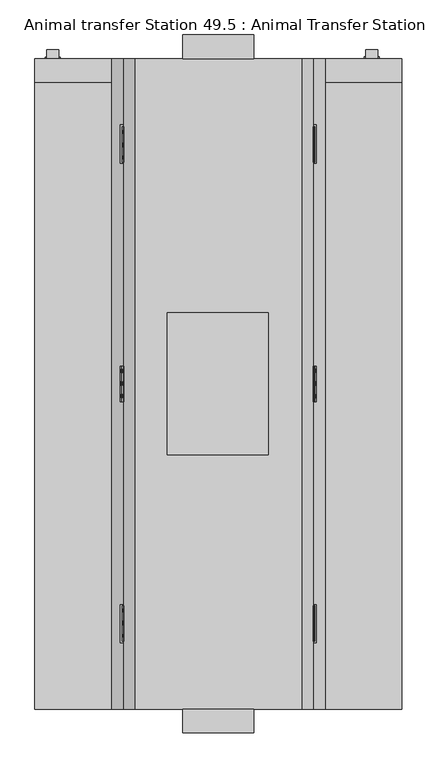
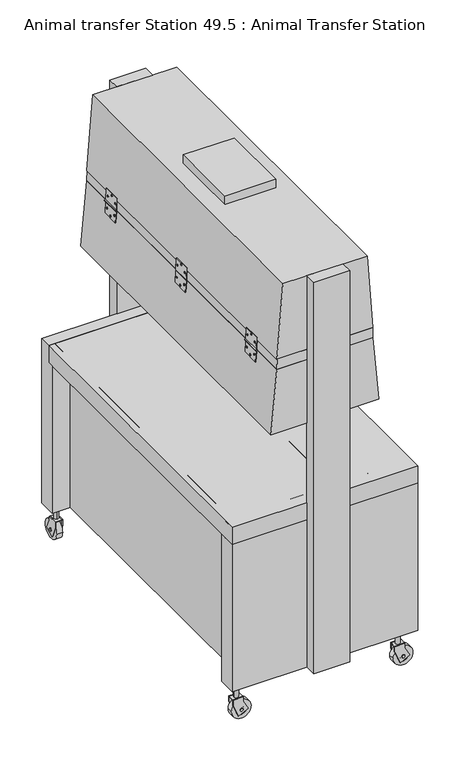
"""IFC4 building model written with IfcOpenShell, lengths in millimetres: proxy geometry, Animal transfer Station 49.5 : Animal Transfer Station."""

from ifc_helpers import new_model, si_unit, point, frame, frame_2d, origin, place, context, project, spatial, polyline, circle_curve, trimmed, segment, composite_curve, outline, extrude, source, transform, mapped, element, save


def animal_transfer_station_49_5_animal_transfer_station_706e44e9(model_context):
    return source(origin(), model_context, "Body", "SweptSolid", [
        extrude(outline(polyline([(-355.657764, 745.7792475), (-330.257764, 745.7792475), (-330.257764, 714.3751455), (-355.657764, 714.3751455), (-355.657764, 745.7792475)])), frame((0.0, 0.0, 90.2352256), z_axis=(0.0, 0.0, 1.0), x_axis=(1.0, 0.0, 0.0)), (0.0, 0.0, 1.0), 3.175),
        extrude(outline(polyline([(-355.657764, 751.4478987), (-330.257764, 751.4478987), (-330.257764, 709.0077913), (-355.657764, 709.0077913), (-355.657764, 751.4478987)])), frame((0.0, 0.0, 91.8906918), z_axis=(0.0, 0.0, 1.0), x_axis=(1.0, 0.0, 0.0)), (0.0, 0.0, 1.0), 3.175),
        extrude(outline(composite_curve([segment(trimmed(circle_curve(frame_2d((744.9370519, 39.3533616)), 6.35), [point((738.5870519, 39.3533616))], [point((751.2870519, 39.3533616))], False, "CARTESIAN"), True, "CONTINUOUS"), segment(trimmed(circle_curve(frame_2d((744.9370519, 39.3533616)), 6.35), [point((751.2870519, 39.3533616))], [point((738.5870519, 39.3533616))], False, "CARTESIAN"), True, "CONTINUOUS")], self_intersect=False)), frame((-358.832764, 0.0, 0.0), z_axis=(1.0, 0.0, 0.0), x_axis=(0.0, 1.0, 0.0)), (0.0, 0.0, 1.0), 31.75),
        extrude(outline(composite_curve([segment(trimmed(circle_curve(frame_2d((-342.5131308, 729.8053669)), 9.42142), [point((-342.5131308, 720.3839469))], [point((-342.5131308, 739.2267868))], False, "CARTESIAN"), True, "CONTINUOUS"), segment(trimmed(circle_curve(frame_2d((-342.5131308, 729.8053669)), 9.42142), [point((-342.5131308, 739.2267868))], [point((-342.5131308, 720.3839469))], False, "CARTESIAN"), True, "CONTINUOUS")], self_intersect=False)), frame((0.0, 0.0, 95.0656918), z_axis=(0.0, 0.0, 1.0), x_axis=(1.0, 0.0, 0.0)), (0.0, 0.0, 1.0), 54.1593082),
        extrude(outline(polyline([(731.0921649, 15.0049491), (709.0077913, 69.6656918), (709.0077913, 95.0656918), (751.4478987, 95.0656918), (751.4478987, 76.0156918), (771.9317957, 35.8137803), (731.0921649, 15.0049491)])), frame((-330.257764, 0.0, 0.0), z_axis=(1.0, 0.0, 0.0), x_axis=(0.0, 1.0, 0.0)), (0.0, 0.0, 1.0), 3.175),
        extrude(outline(polyline([(731.0921649, 15.0049491), (709.0077913, 69.6656918), (709.0077913, 95.0656918), (751.4478987, 95.0656918), (751.4478987, 76.0156918), (771.9317957, 35.8137803), (731.0921649, 15.0049491)])), frame((-358.832764, 0.0, 0.0), z_axis=(1.0, 0.0, 0.0), x_axis=(0.0, 1.0, 0.0)), (0.0, 0.0, 1.0), 3.175),
        extrude(outline(composite_curve([segment(trimmed(circle_curve(frame_2d((745.0995494, 39.667804)), 22.6257184), [point((722.473831, 39.667804))], [point((767.7252678, 39.667804))], False, "CARTESIAN"), True, "CONTINUOUS"), segment(trimmed(circle_curve(frame_2d((745.0995494, 39.667804)), 22.6257184), [point((767.7252678, 39.667804))], [point((722.473831, 39.667804))], False, "CARTESIAN"), True, "CONTINUOUS")], self_intersect=False)), frame((-355.657764, 0.0, 0.0), z_axis=(1.0, 0.0, 0.0), x_axis=(0.0, 1.0, 0.0)), (0.0, 0.0, 1.0), 25.4),
        extrude(outline(composite_curve([segment(trimmed(circle_curve(frame_2d((744.7686423, 39.1699501)), 12.7), [point((732.0686423, 39.1699501))], [point((757.4686423, 39.1699501))], False, "CARTESIAN"), True, "CONTINUOUS"), segment(trimmed(circle_curve(frame_2d((744.7686423, 39.1699501)), 12.7), [point((757.4686423, 39.1699501))], [point((732.0686423, 39.1699501))], False, "CARTESIAN"), True, "CONTINUOUS")], self_intersect=False)), frame((-355.657764, 0.0, 0.0), z_axis=(1.0, 0.0, 0.0), x_axis=(0.0, 1.0, 0.0)), (0.0, 0.0, 1.0), 25.4),
        extrude(outline(composite_curve([segment(trimmed(circle_curve(frame_2d((745.4304564, 41.8185139)), 41.8185139), [point((703.6119425, 41.8185139))], [point((787.2489703, 41.8185139))], False, "CARTESIAN"), True, "CONTINUOUS"), segment(trimmed(circle_curve(frame_2d((745.4304564, 41.8185139)), 41.8185139), [point((787.2489703, 41.8185139))], [point((703.6119425, 41.8185139))], False, "CARTESIAN"), True, "CONTINUOUS")], self_intersect=False)), frame((-355.657764, 0.0, 0.0), z_axis=(1.0, 0.0, 0.0), x_axis=(0.0, 1.0, 0.0)), (0.0, 0.0, 1.0), 25.4),
        extrude(outline(polyline([(-317.557764, 756.8251171), (-317.557764, 706.0251171), (-368.357764, 706.0251171), (-368.357764, 756.8251171), (-317.557764, 756.8251171)])), frame((0.0, 0.0, 149.225), z_axis=(0.0, 0.0, 1.0), x_axis=(1.0, 0.0, 0.0)), (0.0, 0.0, 1.0), 3.175),
        extrude(outline(polyline([(329.5592465, 745.9342983), (354.9592465, 745.9342983), (354.9592465, 714.5301963), (329.5592465, 714.5301963), (329.5592465, 745.9342983)])), frame((0.0, 0.0, 91.2827421), z_axis=(0.0, 0.0, 1.0), x_axis=(1.0, 0.0, 0.0)), (0.0, 0.0, 1.0), 3.175),
        extrude(outline(polyline([(329.5592465, 751.6029495), (354.9592465, 751.6029495), (354.9592465, 709.1628421), (329.5592465, 709.1628421), (329.5592465, 751.6029495)])), frame((0.0, 0.0, 92.9382083), z_axis=(0.0, 0.0, 1.0), x_axis=(1.0, 0.0, 0.0)), (0.0, 0.0, 1.0), 3.175),
        extrude(outline(composite_curve([segment(trimmed(circle_curve(frame_2d((745.0921027, 40.4008781)), 6.35), [point((738.7421027, 40.4008781))], [point((751.4421027, 40.4008781))], False, "CARTESIAN"), True, "CONTINUOUS"), segment(trimmed(circle_curve(frame_2d((745.0921027, 40.4008781)), 6.35), [point((751.4421027, 40.4008781))], [point((738.7421027, 40.4008781))], False, "CARTESIAN"), True, "CONTINUOUS")], self_intersect=False)), frame((326.3842465, 0.0, 0.0), z_axis=(1.0, 0.0, 0.0), x_axis=(0.0, 1.0, 0.0)), (0.0, 0.0, 1.0), 31.75),
        extrude(outline(composite_curve([segment(trimmed(circle_curve(frame_2d((342.7038796, 729.9604177)), 9.42142), [point((342.7038796, 720.5389977))], [point((342.7038796, 739.3818376))], False, "CARTESIAN"), True, "CONTINUOUS"), segment(trimmed(circle_curve(frame_2d((342.7038796, 729.9604177)), 9.42142), [point((342.7038796, 739.3818376))], [point((342.7038796, 720.5389977))], False, "CARTESIAN"), True, "CONTINUOUS")], self_intersect=False)), frame((0.0, 0.0, 96.1132083), z_axis=(0.0, 0.0, 1.0), x_axis=(1.0, 0.0, 0.0)), (0.0, 0.0, 1.0), 54.1593082),
        extrude(outline(polyline([(731.2472157, 16.0524656), (709.1628421, 70.7132083), (709.1628421, 96.1132083), (751.6029495, 96.1132083), (751.6029495, 77.0632083), (772.0868465, 36.8612968), (731.2472157, 16.0524656)])), frame((354.9592465, 0.0, 0.0), z_axis=(1.0, 0.0, 0.0), x_axis=(0.0, 1.0, 0.0)), (0.0, 0.0, 1.0), 3.175),
        extrude(outline(polyline([(731.2472157, 16.0524656), (709.1628421, 70.7132083), (709.1628421, 96.1132083), (751.6029495, 96.1132083), (751.6029495, 77.0632083), (772.0868465, 36.8612968), (731.2472157, 16.0524656)])), frame((326.3842465, 0.0, 0.0), z_axis=(1.0, 0.0, 0.0), x_axis=(0.0, 1.0, 0.0)), (0.0, 0.0, 1.0), 3.175),
        extrude(outline(composite_curve([segment(trimmed(circle_curve(frame_2d((745.2546002, 40.7153205)), 22.6257184), [point((722.6288818, 40.7153205))], [point((767.8803186, 40.7153205))], False, "CARTESIAN"), True, "CONTINUOUS"), segment(trimmed(circle_curve(frame_2d((745.2546002, 40.7153205)), 22.6257184), [point((767.8803186, 40.7153205))], [point((722.6288818, 40.7153205))], False, "CARTESIAN"), True, "CONTINUOUS")], self_intersect=False)), frame((329.5592465, 0.0, 0.0), z_axis=(1.0, 0.0, 0.0), x_axis=(0.0, 1.0, 0.0)), (0.0, 0.0, 1.0), 25.4),
        extrude(outline(composite_curve([segment(trimmed(circle_curve(frame_2d((744.9236931, 40.2174666)), 12.7), [point((732.2236931, 40.2174666))], [point((757.6236931, 40.2174666))], False, "CARTESIAN"), True, "CONTINUOUS"), segment(trimmed(circle_curve(frame_2d((744.9236931, 40.2174666)), 12.7), [point((757.6236931, 40.2174666))], [point((732.2236931, 40.2174666))], False, "CARTESIAN"), True, "CONTINUOUS")], self_intersect=False)), frame((329.5592465, 0.0, 0.0), z_axis=(1.0, 0.0, 0.0), x_axis=(0.0, 1.0, 0.0)), (0.0, 0.0, 1.0), 25.4),
        extrude(outline(composite_curve([segment(trimmed(circle_curve(frame_2d((745.5855073, 42.8660304)), 41.8185139), [point((703.7669933, 42.8660304))], [point((787.4040212, 42.8660304))], False, "CARTESIAN"), True, "CONTINUOUS"), segment(trimmed(circle_curve(frame_2d((745.5855073, 42.8660304)), 41.8185139), [point((787.4040212, 42.8660304))], [point((703.7669933, 42.8660304))], False, "CARTESIAN"), True, "CONTINUOUS")], self_intersect=False)), frame((329.5592465, 0.0, 0.0), z_axis=(1.0, 0.0, 0.0), x_axis=(0.0, 1.0, 0.0)), (0.0, 0.0, 1.0), 25.4),
        extrude(outline(polyline([(367.6592465, 756.9801679), (367.6592465, 706.1801679), (316.8592465, 706.1801679), (316.8592465, 756.9801679), (367.6592465, 756.9801679)])), frame((0.0, 0.0, 150.2725165), z_axis=(0.0, 0.0, 1.0), x_axis=(1.0, 0.0, 0.0)), (0.0, 0.0, 1.0), 3.175),
        extrude(outline(polyline([(359.2607498, -577.85), (359.2607498, -603.25), (327.8566478, -603.25), (327.8566478, -577.85), (359.2607498, -577.85)])), frame((0.0, 0.0, 90.2352256), z_axis=(0.0, 0.0, 1.0), x_axis=(1.0, 0.0, 0.0)), (0.0, 0.0, 1.0), 3.175),
        extrude(outline(polyline([(364.929401, -577.85), (364.929401, -603.25), (322.4892937, -603.25), (322.4892937, -577.85), (364.929401, -577.85)])), frame((0.0, 0.0, 91.8906918), z_axis=(0.0, 0.0, 1.0), x_axis=(1.0, 0.0, 0.0)), (0.0, 0.0, 1.0), 3.175),
        extrude(outline(composite_curve([segment(trimmed(circle_curve(frame_2d((39.3533616, 358.4185543)), 6.35), [point((39.3533616, 352.0685543))], [point((39.3533616, 364.7685543))], False, "CARTESIAN"), True, "CONTINUOUS"), segment(trimmed(circle_curve(frame_2d((39.3533616, 358.4185543)), 6.35), [point((39.3533616, 364.7685543))], [point((39.3533616, 352.0685543))], False, "CARTESIAN"), True, "CONTINUOUS")], self_intersect=False)), frame((0.0, -606.425, 0.0), z_axis=(0.0, 1.0, 0.0), x_axis=(0.0, 0.0, 1.0)), (0.0, 0.0, 1.0), 31.75),
        extrude(outline(composite_curve([segment(trimmed(circle_curve(frame_2d((343.2868692, -590.9946331)), 9.42142), [point((333.8654492, -590.9946331))], [point((352.7082891, -590.9946331))], False, "CARTESIAN"), True, "CONTINUOUS"), segment(trimmed(circle_curve(frame_2d((343.2868692, -590.9946331)), 9.42142), [point((352.7082891, -590.9946331))], [point((333.8654492, -590.9946331))], False, "CARTESIAN"), True, "CONTINUOUS")], self_intersect=False)), frame((0.0, 0.0, 95.0656918), z_axis=(0.0, 0.0, 1.0), x_axis=(1.0, 0.0, 0.0)), (0.0, 0.0, 1.0), 54.1593082),
        extrude(outline(polyline([(15.0049491, 344.5736672), (35.8137803, 385.413298), (76.0156918, 364.929401), (95.0656918, 364.929401), (95.0656918, 322.4892937), (69.6656918, 322.4892937), (15.0049491, 344.5736672)])), frame((0.0, -606.425, 0.0), z_axis=(0.0, 1.0, 0.0), x_axis=(0.0, 0.0, 1.0)), (0.0, 0.0, 1.0), 3.175),
        extrude(outline(polyline([(15.0049491, 344.5736672), (35.8137803, 385.413298), (76.0156918, 364.929401), (95.0656918, 364.929401), (95.0656918, 322.4892937), (69.6656918, 322.4892937), (15.0049491, 344.5736672)])), frame((0.0, -577.85, 0.0), z_axis=(0.0, 1.0, 0.0), x_axis=(0.0, 0.0, 1.0)), (0.0, 0.0, 1.0), 3.175),
        extrude(outline(composite_curve([segment(trimmed(circle_curve(frame_2d((39.667804, 358.5810517)), 22.6257184), [point((39.667804, 335.9553333))], [point((39.667804, 381.2067701))], False, "CARTESIAN"), True, "CONTINUOUS"), segment(trimmed(circle_curve(frame_2d((39.667804, 358.5810517)), 22.6257184), [point((39.667804, 381.2067701))], [point((39.667804, 335.9553333))], False, "CARTESIAN"), True, "CONTINUOUS")], self_intersect=False)), frame((0.0, -603.25, 0.0), z_axis=(0.0, 1.0, 0.0), x_axis=(0.0, 0.0, 1.0)), (0.0, 0.0, 1.0), 25.4),
        extrude(outline(composite_curve([segment(trimmed(circle_curve(frame_2d((39.1699501, 358.2501446)), 12.7), [point((39.1699501, 345.5501446))], [point((39.1699501, 370.9501446))], False, "CARTESIAN"), True, "CONTINUOUS"), segment(trimmed(circle_curve(frame_2d((39.1699501, 358.2501446)), 12.7), [point((39.1699501, 370.9501446))], [point((39.1699501, 345.5501446))], False, "CARTESIAN"), True, "CONTINUOUS")], self_intersect=False)), frame((0.0, -603.25, 0.0), z_axis=(0.0, 1.0, 0.0), x_axis=(0.0, 0.0, 1.0)), (0.0, 0.0, 1.0), 25.4),
        extrude(outline(composite_curve([segment(trimmed(circle_curve(frame_2d((41.8185139, 358.9119588)), 41.8185139), [point((41.8185139, 317.0934449))], [point((41.8185139, 400.7304727))], False, "CARTESIAN"), True, "CONTINUOUS"), segment(trimmed(circle_curve(frame_2d((41.8185139, 358.9119588)), 41.8185139), [point((41.8185139, 400.7304727))], [point((41.8185139, 317.0934449))], False, "CARTESIAN"), True, "CONTINUOUS")], self_intersect=False)), frame((0.0, -603.25, 0.0), z_axis=(0.0, 1.0, 0.0), x_axis=(0.0, 0.0, 1.0)), (0.0, 0.0, 1.0), 25.4),
        extrude(outline(polyline([(370.3066194, -615.95), (319.5066194, -615.95), (319.5066194, -565.15), (370.3066194, -565.15), (370.3066194, -615.95)])), frame((0.0, 0.0, 149.225), z_axis=(0.0, 0.0, 1.0), x_axis=(1.0, 0.0, 0.0)), (0.0, 0.0, 1.0), 3.175),
        extrude(outline(polyline([(-326.5392502, -577.85), (-326.5392502, -603.25), (-357.9433522, -603.25), (-357.9433522, -577.85), (-326.5392502, -577.85)])), frame((0.0, 0.0, 90.2352256), z_axis=(0.0, 0.0, 1.0), x_axis=(1.0, 0.0, 0.0)), (0.0, 0.0, 1.0), 3.175),
        extrude(outline(polyline([(-320.870599, -577.85), (-320.870599, -603.25), (-363.3107063, -603.25), (-363.3107063, -577.85), (-320.870599, -577.85)])), frame((0.0, 0.0, 91.8906918), z_axis=(0.0, 0.0, 1.0), x_axis=(1.0, 0.0, 0.0)), (0.0, 0.0, 1.0), 3.175),
        extrude(outline(composite_curve([segment(trimmed(circle_curve(frame_2d((39.3533616, -327.3814457)), 6.35), [point((39.3533616, -333.7314457))], [point((39.3533616, -321.0314457))], False, "CARTESIAN"), True, "CONTINUOUS"), segment(trimmed(circle_curve(frame_2d((39.3533616, -327.3814457)), 6.35), [point((39.3533616, -321.0314457))], [point((39.3533616, -333.7314457))], False, "CARTESIAN"), True, "CONTINUOUS")], self_intersect=False)), frame((0.0, -606.425, 0.0), z_axis=(0.0, 1.0, 0.0), x_axis=(0.0, 0.0, 1.0)), (0.0, 0.0, 1.0), 31.75),
        extrude(outline(composite_curve([segment(trimmed(circle_curve(frame_2d((-342.5131308, -590.9946331)), 9.42142), [point((-351.9345508, -590.9946331))], [point((-333.0917109, -590.9946331))], False, "CARTESIAN"), True, "CONTINUOUS"), segment(trimmed(circle_curve(frame_2d((-342.5131308, -590.9946331)), 9.42142), [point((-333.0917109, -590.9946331))], [point((-351.9345508, -590.9946331))], False, "CARTESIAN"), True, "CONTINUOUS")], self_intersect=False)), frame((0.0, 0.0, 95.0656918), z_axis=(0.0, 0.0, 1.0), x_axis=(1.0, 0.0, 0.0)), (0.0, 0.0, 1.0), 54.1593082),
        extrude(outline(polyline([(15.0049491, -341.2263328), (35.8137803, -300.386702), (76.0156918, -320.870599), (95.0656918, -320.870599), (95.0656918, -363.3107063), (69.6656918, -363.3107063), (15.0049491, -341.2263328)])), frame((0.0, -606.425, 0.0), z_axis=(0.0, 1.0, 0.0), x_axis=(0.0, 0.0, 1.0)), (0.0, 0.0, 1.0), 3.175),
        extrude(outline(polyline([(15.0049491, -341.2263328), (35.8137803, -300.386702), (76.0156918, -320.870599), (95.0656918, -320.870599), (95.0656918, -363.3107063), (69.6656918, -363.3107063), (15.0049491, -341.2263328)])), frame((0.0, -577.85, 0.0), z_axis=(0.0, 1.0, 0.0), x_axis=(0.0, 0.0, 1.0)), (0.0, 0.0, 1.0), 3.175),
        extrude(outline(composite_curve([segment(trimmed(circle_curve(frame_2d((39.667804, -327.2189483)), 22.6257184), [point((39.667804, -349.8446667))], [point((39.667804, -304.5932299))], False, "CARTESIAN"), True, "CONTINUOUS"), segment(trimmed(circle_curve(frame_2d((39.667804, -327.2189483)), 22.6257184), [point((39.667804, -304.5932299))], [point((39.667804, -349.8446667))], False, "CARTESIAN"), True, "CONTINUOUS")], self_intersect=False)), frame((0.0, -603.25, 0.0), z_axis=(0.0, 1.0, 0.0), x_axis=(0.0, 0.0, 1.0)), (0.0, 0.0, 1.0), 25.4),
        extrude(outline(composite_curve([segment(trimmed(circle_curve(frame_2d((39.1699501, -327.5498554)), 12.7), [point((39.1699501, -340.2498554))], [point((39.1699501, -314.8498554))], False, "CARTESIAN"), True, "CONTINUOUS"), segment(trimmed(circle_curve(frame_2d((39.1699501, -327.5498554)), 12.7), [point((39.1699501, -314.8498554))], [point((39.1699501, -340.2498554))], False, "CARTESIAN"), True, "CONTINUOUS")], self_intersect=False)), frame((0.0, -603.25, 0.0), z_axis=(0.0, 1.0, 0.0), x_axis=(0.0, 0.0, 1.0)), (0.0, 0.0, 1.0), 25.4),
        extrude(outline(composite_curve([segment(trimmed(circle_curve(frame_2d((41.8185139, -326.8880412)), 41.8185139), [point((41.8185139, -368.7065551))], [point((41.8185139, -285.0695273))], False, "CARTESIAN"), True, "CONTINUOUS"), segment(trimmed(circle_curve(frame_2d((41.8185139, -326.8880412)), 41.8185139), [point((41.8185139, -285.0695273))], [point((41.8185139, -368.7065551))], False, "CARTESIAN"), True, "CONTINUOUS")], self_intersect=False)), frame((0.0, -603.25, 0.0), z_axis=(0.0, 1.0, 0.0), x_axis=(0.0, 0.0, 1.0)), (0.0, 0.0, 1.0), 25.4),
        extrude(outline(polyline([(-315.4933806, -615.95), (-366.2933806, -615.95), (-366.2933806, -565.15), (-315.4933806, -565.15), (-315.4933806, -615.95)])), frame((0.0, 0.0, 149.225), z_axis=(0.0, 0.0, 1.0), x_axis=(1.0, 0.0, 0.0)), (0.0, 0.0, 1.0), 3.175),
        extrude(outline(polyline([(717.55, 889.0), (768.35, 889.0), (768.35, 152.4), (692.15, 152.4), (692.15, 812.8), (717.55, 812.8), (717.55, 889.0)])), frame((-381.0, 0.0, 0.0), z_axis=(1.0, 0.0, 0.0), x_axis=(0.0, 1.0, 0.0)), (0.0, 0.0, 1.0), 787.4),
        extrude(outline(polyline([(1532.2424446, -190.5), (1532.2424446, 216.765484), (1577.34, 215.190684), (1577.34, -188.9252), (1532.2424446, -190.5)])), frame((0.0, -628.65, 0.0), z_axis=(0.0, 1.0, 0.0), x_axis=(0.0, 0.0, 1.0)), (0.0, 0.0, 1.0), 1397.0),
        extrude(outline(polyline([(88.9, -628.65), (88.9, -679.45), (-63.5, -679.45), (-63.5, -628.65), (88.9, -628.65)])), frame((0.0, 0.0, 152.4), z_axis=(0.0, 0.0, 1.0), x_axis=(1.0, 0.0, 0.0)), (0.0, 0.0, 1.0), 1755.14),
        extrude(outline(polyline([(88.9, 819.15), (88.9, 768.35), (-63.5, 768.35), (-63.5, 819.15), (88.9, 819.15)])), frame((0.0, 0.0, 152.4), z_axis=(0.0, 0.0, 1.0), x_axis=(1.0, 0.0, 0.0)), (0.0, 0.0, 1.0), 1755.14),
        extrude(outline(polyline([(304.8, 692.15), (304.8, -552.45), (-304.8, -552.45), (-304.8, 692.15), (304.8, 692.15)])), frame((0.0, 0.0, 152.4), z_axis=(0.0, 0.0, 1.0), x_axis=(1.0, 0.0, 0.0)), (0.0, 0.0, 1.0), 660.4),
        extrude(outline(polyline([(406.4, 768.35), (406.4, -628.65), (-381.0, -628.65), (-381.0, 768.35), (406.4, 768.35)])), frame((0.0, 0.0, 812.8), z_axis=(0.0, 0.0, 1.0), x_axis=(1.0, 0.0, 0.0)), (0.0, 0.0, 1.0), 76.2),
        extrude(outline(polyline([(-577.85, 889.0), (-577.85, 812.8), (-552.45, 812.8), (-552.45, 152.4), (-628.65, 152.4), (-628.65, 889.0), (-577.85, 889.0)])), frame((-381.0, 0.0, 0.0), z_axis=(1.0, 0.0, 0.0), x_axis=(0.0, 1.0, 0.0)), (0.0, 0.0, 1.0), 787.4),
        extrude(outline(polyline([(717.55, 889.0), (768.35, 889.0), (768.35, 152.4), (692.15, 152.4), (692.15, 812.8), (717.55, 812.8), (717.55, 889.0)])), frame((-381.0, 0.0, 0.0), z_axis=(1.0, 0.0, 0.0), x_axis=(0.0, 1.0, 0.0)), (0.0, 0.0, 1.0), 787.4),
        extrude(outline(composite_curve([segment(trimmed(circle_curve(frame_2d((0.0, -3.6720721)), 3.6720721), [point((0.0, -7.3441442))], [point((0.0, 0.0))], False, "CARTESIAN"), True, "CONTINUOUS"), segment(trimmed(circle_curve(frame_2d((0.0, -3.6720721)), 3.6720721), [point((0.0, 0.0))], [point((0.0, -7.3441442))], False, "CARTESIAN"), True, "CONTINUOUS")], self_intersect=False)), frame((-192.8059059, 552.2834554, 1505.9214019), z_axis=(-0.9986295347545734, 0.0, 0.052335956242954035), x_axis=(-0.052335956242954035, 0.0, -0.9986295347545734)), (0.0, 0.0, 1.0), 3.175),
        extrude(outline(composite_curve([segment(trimmed(circle_curve(frame_2d((0.0, -3.6720721)), 3.6720721), [point((0.0, -7.3441442))], [point((0.0, 0.0))], False, "CARTESIAN"), True, "CONTINUOUS"), segment(trimmed(circle_curve(frame_2d((0.0, -3.6720721)), 3.6720721), [point((0.0, 0.0))], [point((0.0, -7.3441442))], False, "CARTESIAN"), True, "CONTINUOUS")], self_intersect=False)), frame((-192.8059059, 606.7986731, 1505.9214019), z_axis=(-0.9986295347545734, 0.0, 0.052335956242954035), x_axis=(-0.052335956242954035, 0.0, -0.9986295347545734)), (0.0, 0.0, 1.0), 3.175),
        extrude(outline(composite_curve([segment(trimmed(circle_curve(frame_2d((0.0, -3.6720721)), 3.6720721), [point((0.0, -7.3441442))], [point((0.0, 0.0))], False, "CARTESIAN"), True, "CONTINUOUS"), segment(trimmed(circle_curve(frame_2d((0.0, -3.6720721)), 3.6720721), [point((0.0, 0.0))], [point((0.0, -7.3441442))], False, "CARTESIAN"), True, "CONTINUOUS")], self_intersect=False)), frame((-193.7589988, 579.2994143, 1487.7353076), z_axis=(-0.9986295347545734, 0.0, 0.052335956242954035), x_axis=(-0.052335956242954035, 0.0, -0.9986295347545734)), (0.0, 0.0, 1.0), 3.175),
        extrude(outline(composite_curve([segment(trimmed(circle_curve(frame_2d((0.0, -3.6720721)), 3.6720721), [point((0.0, -7.3441442))], [point((0.0, 0.0))], False, "CARTESIAN"), True, "CONTINUOUS"), segment(trimmed(circle_curve(frame_2d((0.0, -3.6720721)), 3.6720721), [point((0.0, 0.0))], [point((0.0, -7.3441442))], False, "CARTESIAN"), True, "CONTINUOUS")], self_intersect=False)), frame((-190.0106319, 552.2834554, 1559.2584083), z_axis=(-0.9986295347545745, 0.0, 0.052335956242933517), x_axis=(-0.052335956242933517, 0.0, -0.9986295347545745)), (0.0, 0.0, 1.0), 3.175),
        extrude(outline(composite_curve([segment(trimmed(circle_curve(frame_2d((0.0, -3.6720721)), 3.6720721), [point((0.0, -7.3441442))], [point((0.0, 0.0))], False, "CARTESIAN"), True, "CONTINUOUS"), segment(trimmed(circle_curve(frame_2d((0.0, -3.6720721)), 3.6720721), [point((0.0, 0.0))], [point((0.0, -7.3441442))], False, "CARTESIAN"), True, "CONTINUOUS")], self_intersect=False)), frame((-190.0106319, 606.7986731, 1559.2584083), z_axis=(-0.9986295347545745, 0.0, 0.052335956242933517), x_axis=(-0.052335956242933517, 0.0, -0.9986295347545745)), (0.0, 0.0, 1.0), 3.175),
        extrude(outline(composite_curve([segment(trimmed(circle_curve(frame_2d((0.0, -3.6720721)), 3.6720721), [point((0.0, -7.3441442))], [point((0.0, 0.0))], False, "CARTESIAN"), True, "CONTINUOUS"), segment(trimmed(circle_curve(frame_2d((0.0, -3.6720721)), 3.6720721), [point((0.0, 0.0))], [point((0.0, -7.3441442))], False, "CARTESIAN"), True, "CONTINUOUS")], self_intersect=False)), frame((-189.0575391, 579.2994143, 1577.4445025), z_axis=(-0.9986295347545745, 0.0, 0.052335956242933517), x_axis=(-0.052335956242933517, 0.0, -0.9986295347545745)), (0.0, 0.0, 1.0), 3.175),
        extrude(outline(composite_curve([segment(trimmed(circle_curve(frame_2d((1532.2595287, -194.6049404)), 3.175), [point((1532.093362, -191.4342916))], [point((1532.4256953, -197.7755892))], False, "CARTESIAN"), True, "CONTINUOUS"), segment(trimmed(circle_curve(frame_2d((1532.2595287, -194.6049404)), 3.175), [point((1532.4256953, -197.7755892))], [point((1532.093362, -191.4342916))], False, "CARTESIAN"), True, "CONTINUOUS")], self_intersect=False)), frame((0.0, 544.1777716, 0.0), z_axis=(0.0, 1.0, 0.0), x_axis=(0.0, 0.0, 1.0)), (0.0, 0.0, 1.0), 81.6334172),
        extrude(outline(polyline([(0.0, -76.2), (0.0, 0.0), (3.175, 0.0), (3.175, -76.2), (0.0, -76.2)])), frame((-194.4387658, 622.3, 1535.4303296), z_axis=(0.05233595624289963, 0.0, 0.9986295347545763), x_axis=(0.9986295347545763, 0.0, -0.05233595624289963)), (0.0, 0.0, 1.0), 50.8),
        extrude(outline(polyline([(0.0, -76.2), (0.0, 0.0), (3.1749999, 0.0), (3.1749999, -76.2), (0.0, -76.2)])), frame((-197.3988962, 622.3, 1478.9476756), z_axis=(0.05233595624289963, 0.0, 0.9986295347545763), x_axis=(0.9986295347545763, 0.0, -0.05233595624289963)), (0.0, 0.0, 1.0), 50.2101678),
        extrude(outline(composite_curve([segment(trimmed(circle_curve(frame_2d((0.0, -3.6720721)), 3.6720721), [point((0.0, -7.3441442))], [point((0.0, 0.0))], False, "CARTESIAN"), True, "CONTINUOUS"), segment(trimmed(circle_curve(frame_2d((0.0, -3.6720721)), 3.6720721), [point((0.0, 0.0))], [point((0.0, -7.3441442))], False, "CARTESIAN"), True, "CONTINUOUS")], self_intersect=False)), frame((218.2059059, 552.2834554, 1505.9214019), z_axis=(0.9986295347545734, 0.0, 0.052335956242954035), x_axis=(-0.052335956242954035, 0.0, 0.9986295347545734)), (0.0, 0.0, 1.0), 3.175),
        extrude(outline(composite_curve([segment(trimmed(circle_curve(frame_2d((0.0, -3.6720721)), 3.6720721), [point((0.0, -7.3441442))], [point((0.0, 0.0))], False, "CARTESIAN"), True, "CONTINUOUS"), segment(trimmed(circle_curve(frame_2d((0.0, -3.6720721)), 3.6720721), [point((0.0, 0.0))], [point((0.0, -7.3441442))], False, "CARTESIAN"), True, "CONTINUOUS")], self_intersect=False)), frame((218.2059059, 606.7986731, 1505.9214019), z_axis=(0.9986295347545734, 0.0, 0.052335956242954035), x_axis=(-0.052335956242954035, 0.0, 0.9986295347545734)), (0.0, 0.0, 1.0), 3.175),
        extrude(outline(composite_curve([segment(trimmed(circle_curve(frame_2d((0.0, -3.6720721)), 3.6720721), [point((0.0, -7.3441442))], [point((0.0, 0.0))], False, "CARTESIAN"), True, "CONTINUOUS"), segment(trimmed(circle_curve(frame_2d((0.0, -3.6720721)), 3.6720721), [point((0.0, 0.0))], [point((0.0, -7.3441442))], False, "CARTESIAN"), True, "CONTINUOUS")], self_intersect=False)), frame((219.1589988, 579.2994143, 1487.7353076), z_axis=(0.9986295347545734, 0.0, 0.052335956242954035), x_axis=(-0.052335956242954035, 0.0, 0.9986295347545734)), (0.0, 0.0, 1.0), 3.175),
        extrude(outline(composite_curve([segment(trimmed(circle_curve(frame_2d((0.0, -3.6720721)), 3.6720721), [point((0.0, -7.3441442))], [point((0.0, 0.0))], False, "CARTESIAN"), True, "CONTINUOUS"), segment(trimmed(circle_curve(frame_2d((0.0, -3.6720721)), 3.6720721), [point((0.0, 0.0))], [point((0.0, -7.3441442))], False, "CARTESIAN"), True, "CONTINUOUS")], self_intersect=False)), frame((215.4106319, 552.2834554, 1559.2584083), z_axis=(0.9986295347545745, 0.0, 0.052335956242933517), x_axis=(-0.052335956242933517, 0.0, 0.9986295347545745)), (0.0, 0.0, 1.0), 3.175),
        extrude(outline(composite_curve([segment(trimmed(circle_curve(frame_2d((0.0, -3.6720721)), 3.6720721), [point((0.0, -7.3441442))], [point((0.0, 0.0))], False, "CARTESIAN"), True, "CONTINUOUS"), segment(trimmed(circle_curve(frame_2d((0.0, -3.6720721)), 3.6720721), [point((0.0, 0.0))], [point((0.0, -7.3441442))], False, "CARTESIAN"), True, "CONTINUOUS")], self_intersect=False)), frame((215.4106319, 606.7986731, 1559.2584083), z_axis=(0.9986295347545745, 0.0, 0.052335956242933517), x_axis=(-0.052335956242933517, 0.0, 0.9986295347545745)), (0.0, 0.0, 1.0), 3.175),
        extrude(outline(composite_curve([segment(trimmed(circle_curve(frame_2d((0.0, -3.6720721)), 3.6720721), [point((0.0, -7.3441442))], [point((0.0, 0.0))], False, "CARTESIAN"), True, "CONTINUOUS"), segment(trimmed(circle_curve(frame_2d((0.0, -3.6720721)), 3.6720721), [point((0.0, 0.0))], [point((0.0, -7.3441442))], False, "CARTESIAN"), True, "CONTINUOUS")], self_intersect=False)), frame((214.4575391, 579.2994143, 1577.4445025), z_axis=(0.9986295347545745, 0.0, 0.052335956242933517), x_axis=(-0.052335956242933517, 0.0, 0.9986295347545745)), (0.0, 0.0, 1.0), 3.175),
        extrude(outline(composite_curve([segment(trimmed(circle_curve(frame_2d((1532.2595287, 220.0049404)), 3.175), [point((1532.093362, 216.8342916))], [point((1532.4256953, 223.1755892))], False, "CARTESIAN"), True, "CONTINUOUS"), segment(trimmed(circle_curve(frame_2d((1532.2595287, 220.0049404)), 3.175), [point((1532.4256953, 223.1755892))], [point((1532.093362, 216.8342916))], False, "CARTESIAN"), True, "CONTINUOUS")], self_intersect=False)), frame((0.0, 544.1777716, 0.0), z_axis=(0.0, 1.0, 0.0), x_axis=(0.0, 0.0, 1.0)), (0.0, 0.0, 1.0), 81.6334172),
        extrude(outline(polyline([(0.0, -76.2), (0.0, 0.0), (3.175, 0.0), (3.175, -76.2), (0.0, -76.2)])), frame((219.8387658, 546.1, 1535.4303296), z_axis=(-0.05233595624289963, 0.0, 0.9986295347545763), x_axis=(-0.9986295347545763, 0.0, -0.05233595624289963)), (0.0, 0.0, 1.0), 50.8),
        extrude(outline(polyline([(0.0, -76.2), (0.0, 0.0), (3.1749999, 0.0), (3.1749999, -76.2), (0.0, -76.2)])), frame((222.7988962, 546.1, 1478.9476756), z_axis=(-0.05233595624289963, 0.0, 0.9986295347545763), x_axis=(-0.9986295347545763, 0.0, -0.05233595624289963)), (0.0, 0.0, 1.0), 50.2101678),
        extrude(outline(polyline([(381.0, 717.55), (381.0, -577.85), (76.2, -577.85), (76.2, 717.55), (381.0, 717.55)])), frame((0.0, 0.0, 876.3), z_axis=(0.0, 0.0, 1.0), x_axis=(1.0, 0.0, 0.0)), (0.0, 0.0, 1.0), 12.7),
        extrude(outline(polyline([(-50.8, 717.55), (-50.8, -577.85), (-355.6, -577.85), (-355.6, 717.55), (-50.8, 717.55)])), frame((0.0, 0.0, 876.3), z_axis=(0.0, 0.0, 1.0), x_axis=(1.0, 0.0, 0.0)), (0.0, 0.0, 1.0), 12.7),
        extrude(outline(polyline([(119.4490615, -82.55), (-96.4509385, -82.55), (-96.4509385, 222.25), (119.4490615, 222.25), (119.4490615, -82.55)])), frame((0.0, 0.0, 1907.54), z_axis=(0.0, 0.0, 1.0), x_axis=(1.0, 0.0, 0.0)), (0.0, 0.0, 1.0), 38.1),
        extrude(outline(composite_curve([segment(trimmed(circle_curve(frame_2d((0.0, -3.6720721)), 3.6720721), [point((0.0, -7.3441442))], [point((0.0, 0.0))], False, "CARTESIAN"), True, "CONTINUOUS"), segment(trimmed(circle_curve(frame_2d((0.0, -3.6720721)), 3.6720721), [point((0.0, 0.0))], [point((0.0, -7.3441442))], False, "CARTESIAN"), True, "CONTINUOUS")], self_intersect=False)), frame((-192.8059059, -412.5834554, 1505.9214019), z_axis=(-0.9986295347545734, 0.0, 0.052335956242954035), x_axis=(0.052335956242954035, 0.0, 0.9986295347545734)), (0.0, 0.0, 1.0), 3.175),
        extrude(outline(composite_curve([segment(trimmed(circle_curve(frame_2d((0.0, -3.6720721)), 3.6720721), [point((0.0, -7.3441442))], [point((0.0, 0.0))], False, "CARTESIAN"), True, "CONTINUOUS"), segment(trimmed(circle_curve(frame_2d((0.0, -3.6720721)), 3.6720721), [point((0.0, 0.0))], [point((0.0, -7.3441442))], False, "CARTESIAN"), True, "CONTINUOUS")], self_intersect=False)), frame((-192.8059059, -467.0986731, 1505.9214019), z_axis=(-0.9986295347545734, 0.0, 0.052335956242954035), x_axis=(0.052335956242954035, 0.0, 0.9986295347545734)), (0.0, 0.0, 1.0), 3.175),
        extrude(outline(composite_curve([segment(trimmed(circle_curve(frame_2d((0.0, -3.6720721)), 3.6720721), [point((0.0, -7.3441442))], [point((0.0, 0.0))], False, "CARTESIAN"), True, "CONTINUOUS"), segment(trimmed(circle_curve(frame_2d((0.0, -3.6720721)), 3.6720721), [point((0.0, 0.0))], [point((0.0, -7.3441442))], False, "CARTESIAN"), True, "CONTINUOUS")], self_intersect=False)), frame((-193.7589988, -439.5994143, 1487.7353076), z_axis=(-0.9986295347545734, 0.0, 0.052335956242954035), x_axis=(0.052335956242954035, 0.0, 0.9986295347545734)), (0.0, 0.0, 1.0), 3.175),
        extrude(outline(composite_curve([segment(trimmed(circle_curve(frame_2d((0.0, -3.6720721)), 3.6720721), [point((0.0, -7.3441442))], [point((0.0, 0.0))], False, "CARTESIAN"), True, "CONTINUOUS"), segment(trimmed(circle_curve(frame_2d((0.0, -3.6720721)), 3.6720721), [point((0.0, 0.0))], [point((0.0, -7.3441442))], False, "CARTESIAN"), True, "CONTINUOUS")], self_intersect=False)), frame((-190.0106319, -412.5834554, 1559.2584083), z_axis=(-0.9986295347545745, 0.0, 0.052335956242933517), x_axis=(0.052335956242933517, 0.0, 0.9986295347545745)), (0.0, 0.0, 1.0), 3.175),
        extrude(outline(composite_curve([segment(trimmed(circle_curve(frame_2d((0.0, -3.6720721)), 3.6720721), [point((0.0, -7.3441442))], [point((0.0, 0.0))], False, "CARTESIAN"), True, "CONTINUOUS"), segment(trimmed(circle_curve(frame_2d((0.0, -3.6720721)), 3.6720721), [point((0.0, 0.0))], [point((0.0, -7.3441442))], False, "CARTESIAN"), True, "CONTINUOUS")], self_intersect=False)), frame((-190.0106319, -467.0986731, 1559.2584083), z_axis=(-0.9986295347545745, 0.0, 0.052335956242933517), x_axis=(0.052335956242933517, 0.0, 0.9986295347545745)), (0.0, 0.0, 1.0), 3.175),
        extrude(outline(composite_curve([segment(trimmed(circle_curve(frame_2d((0.0, -3.6720721)), 3.6720721), [point((0.0, -7.3441442))], [point((0.0, 0.0))], False, "CARTESIAN"), True, "CONTINUOUS"), segment(trimmed(circle_curve(frame_2d((0.0, -3.6720721)), 3.6720721), [point((0.0, 0.0))], [point((0.0, -7.3441442))], False, "CARTESIAN"), True, "CONTINUOUS")], self_intersect=False)), frame((-189.0575391, -439.5994143, 1577.4445025), z_axis=(-0.9986295347545745, 0.0, 0.052335956242933517), x_axis=(0.052335956242933517, 0.0, 0.9986295347545745)), (0.0, 0.0, 1.0), 3.175),
        extrude(outline(composite_curve([segment(trimmed(circle_curve(frame_2d((1532.2595287, -194.6049404)), 3.175), [point((1532.093362, -191.4342916))], [point((1532.4256953, -197.7755892))], False, "CARTESIAN"), True, "CONTINUOUS"), segment(trimmed(circle_curve(frame_2d((1532.2595287, -194.6049404)), 3.175), [point((1532.4256953, -197.7755892))], [point((1532.093362, -191.4342916))], False, "CARTESIAN"), True, "CONTINUOUS")], self_intersect=False)), frame((0.0, -486.1111888, 0.0), z_axis=(0.0, 1.0, 0.0), x_axis=(0.0, 0.0, 1.0)), (0.0, 0.0, 1.0), 81.6334172),
        extrude(outline(polyline([(0.0, -76.2), (0.0, 0.0), (3.175, 0.0), (3.175, -76.2), (0.0, -76.2)])), frame((-194.4387658, -406.4, 1535.4303296), z_axis=(0.05233595624289963, 0.0, 0.9986295347545763), x_axis=(0.9986295347545763, 0.0, -0.05233595624289963)), (0.0, 0.0, 1.0), 50.8),
        extrude(outline(polyline([(0.0, -76.2), (0.0, 0.0), (3.1749999, 0.0), (3.1749999, -76.2), (0.0, -76.2)])), frame((-197.3988962, -406.4, 1478.9476756), z_axis=(0.05233595624289963, 0.0, 0.9986295347545763), x_axis=(0.9986295347545763, 0.0, -0.05233595624289963)), (0.0, 0.0, 1.0), 50.2101678),
        extrude(outline(composite_curve([segment(trimmed(circle_curve(frame_2d((0.0, -3.6720721)), 3.6720721), [point((0.0, -7.3441442))], [point((0.0, 0.0))], False, "CARTESIAN"), True, "CONTINUOUS"), segment(trimmed(circle_curve(frame_2d((0.0, -3.6720721)), 3.6720721), [point((0.0, 0.0))], [point((0.0, -7.3441442))], False, "CARTESIAN"), True, "CONTINUOUS")], self_intersect=False)), frame((-192.8059059, 101.7665446, 1505.9214019), z_axis=(-0.9986295347545734, 0.0, 0.052335956242954035), x_axis=(0.052335956242954035, 0.0, 0.9986295347545734)), (0.0, 0.0, 1.0), 3.175),
        extrude(outline(composite_curve([segment(trimmed(circle_curve(frame_2d((0.0, -3.6720721)), 3.6720721), [point((0.0, -7.3441442))], [point((0.0, 0.0))], False, "CARTESIAN"), True, "CONTINUOUS"), segment(trimmed(circle_curve(frame_2d((0.0, -3.6720721)), 3.6720721), [point((0.0, 0.0))], [point((0.0, -7.3441442))], False, "CARTESIAN"), True, "CONTINUOUS")], self_intersect=False)), frame((-192.8059059, 47.2513269, 1505.9214019), z_axis=(-0.9986295347545734, 0.0, 0.052335956242954035), x_axis=(0.052335956242954035, 0.0, 0.9986295347545734)), (0.0, 0.0, 1.0), 3.175),
        extrude(outline(composite_curve([segment(trimmed(circle_curve(frame_2d((0.0, -3.6720721)), 3.6720721), [point((0.0, -7.3441442))], [point((0.0, 0.0))], False, "CARTESIAN"), True, "CONTINUOUS"), segment(trimmed(circle_curve(frame_2d((0.0, -3.6720721)), 3.6720721), [point((0.0, 0.0))], [point((0.0, -7.3441442))], False, "CARTESIAN"), True, "CONTINUOUS")], self_intersect=False)), frame((-193.7589988, 74.7505857, 1487.7353076), z_axis=(-0.9986295347545734, 0.0, 0.052335956242954035), x_axis=(0.052335956242954035, 0.0, 0.9986295347545734)), (0.0, 0.0, 1.0), 3.175),
        extrude(outline(composite_curve([segment(trimmed(circle_curve(frame_2d((0.0, -3.6720721)), 3.6720721), [point((0.0, -7.3441442))], [point((0.0, 0.0))], False, "CARTESIAN"), True, "CONTINUOUS"), segment(trimmed(circle_curve(frame_2d((0.0, -3.6720721)), 3.6720721), [point((0.0, 0.0))], [point((0.0, -7.3441442))], False, "CARTESIAN"), True, "CONTINUOUS")], self_intersect=False)), frame((-190.0106319, 101.7665446, 1559.2584083), z_axis=(-0.9986295347545745, 0.0, 0.052335956242933517), x_axis=(0.052335956242933517, 0.0, 0.9986295347545745)), (0.0, 0.0, 1.0), 3.175),
        extrude(outline(composite_curve([segment(trimmed(circle_curve(frame_2d((0.0, -3.6720721)), 3.6720721), [point((0.0, -7.3441442))], [point((0.0, 0.0))], False, "CARTESIAN"), True, "CONTINUOUS"), segment(trimmed(circle_curve(frame_2d((0.0, -3.6720721)), 3.6720721), [point((0.0, 0.0))], [point((0.0, -7.3441442))], False, "CARTESIAN"), True, "CONTINUOUS")], self_intersect=False)), frame((-190.0106319, 47.2513269, 1559.2584083), z_axis=(-0.9986295347545745, 0.0, 0.052335956242933517), x_axis=(0.052335956242933517, 0.0, 0.9986295347545745)), (0.0, 0.0, 1.0), 3.175),
        extrude(outline(composite_curve([segment(trimmed(circle_curve(frame_2d((0.0, -3.6720721)), 3.6720721), [point((0.0, -7.3441442))], [point((0.0, 0.0))], False, "CARTESIAN"), True, "CONTINUOUS"), segment(trimmed(circle_curve(frame_2d((0.0, -3.6720721)), 3.6720721), [point((0.0, 0.0))], [point((0.0, -7.3441442))], False, "CARTESIAN"), True, "CONTINUOUS")], self_intersect=False)), frame((-189.0575391, 74.7505857, 1577.4445025), z_axis=(-0.9986295347545745, 0.0, 0.052335956242933517), x_axis=(0.052335956242933517, 0.0, 0.9986295347545745)), (0.0, 0.0, 1.0), 3.175),
        extrude(outline(polyline([(0.0, -76.2), (0.0, 0.0), (3.175, 0.0), (3.175, -76.2), (0.0, -76.2)])), frame((-194.4387658, 107.95, 1535.4303296), z_axis=(0.05233595624289963, 0.0, 0.9986295347545763), x_axis=(0.9986295347545763, 0.0, -0.05233595624289963)), (0.0, 0.0, 1.0), 50.8),
        extrude(outline(polyline([(0.0, -76.2), (0.0, 0.0), (3.1749999, 0.0), (3.1749999, -76.2), (0.0, -76.2)])), frame((-197.3988962, 107.95, 1478.9476756), z_axis=(0.05233595624289963, 0.0, 0.9986295347545763), x_axis=(0.9986295347545763, 0.0, -0.05233595624289963)), (0.0, 0.0, 1.0), 50.2101678),
        extrude(outline(composite_curve([segment(trimmed(circle_curve(frame_2d((0.0, -3.6720721)), 3.6720721), [point((0.0, -7.3441442))], [point((0.0, 0.0))], False, "CARTESIAN"), True, "CONTINUOUS"), segment(trimmed(circle_curve(frame_2d((0.0, -3.6720721)), 3.6720721), [point((0.0, 0.0))], [point((0.0, -7.3441442))], False, "CARTESIAN"), True, "CONTINUOUS")], self_intersect=False)), frame((218.2059059, -412.5834554, 1505.9214019), z_axis=(0.9986295347545734, 0.0, 0.052335956242954035), x_axis=(0.052335956242954035, 0.0, -0.9986295347545734)), (0.0, 0.0, 1.0), 3.175),
        extrude(outline(composite_curve([segment(trimmed(circle_curve(frame_2d((0.0, -3.6720721)), 3.6720721), [point((0.0, -7.3441442))], [point((0.0, 0.0))], False, "CARTESIAN"), True, "CONTINUOUS"), segment(trimmed(circle_curve(frame_2d((0.0, -3.6720721)), 3.6720721), [point((0.0, 0.0))], [point((0.0, -7.3441442))], False, "CARTESIAN"), True, "CONTINUOUS")], self_intersect=False)), frame((218.2059059, -467.0986731, 1505.9214019), z_axis=(0.9986295347545734, 0.0, 0.052335956242954035), x_axis=(0.052335956242954035, 0.0, -0.9986295347545734)), (0.0, 0.0, 1.0), 3.175),
        extrude(outline(composite_curve([segment(trimmed(circle_curve(frame_2d((0.0, -3.6720721)), 3.6720721), [point((0.0, -7.3441442))], [point((0.0, 0.0))], False, "CARTESIAN"), True, "CONTINUOUS"), segment(trimmed(circle_curve(frame_2d((0.0, -3.6720721)), 3.6720721), [point((0.0, 0.0))], [point((0.0, -7.3441442))], False, "CARTESIAN"), True, "CONTINUOUS")], self_intersect=False)), frame((219.1589988, -439.5994143, 1487.7353076), z_axis=(0.9986295347545734, 0.0, 0.052335956242954035), x_axis=(0.052335956242954035, 0.0, -0.9986295347545734)), (0.0, 0.0, 1.0), 3.175),
        extrude(outline(composite_curve([segment(trimmed(circle_curve(frame_2d((0.0, -3.6720721)), 3.6720721), [point((0.0, -7.3441442))], [point((0.0, 0.0))], False, "CARTESIAN"), True, "CONTINUOUS"), segment(trimmed(circle_curve(frame_2d((0.0, -3.6720721)), 3.6720721), [point((0.0, 0.0))], [point((0.0, -7.3441442))], False, "CARTESIAN"), True, "CONTINUOUS")], self_intersect=False)), frame((215.4106319, -412.5834554, 1559.2584083), z_axis=(0.9986295347545745, 0.0, 0.052335956242933517), x_axis=(0.052335956242933517, 0.0, -0.9986295347545745)), (0.0, 0.0, 1.0), 3.175),
        extrude(outline(composite_curve([segment(trimmed(circle_curve(frame_2d((0.0, -3.6720721)), 3.6720721), [point((0.0, -7.3441442))], [point((0.0, 0.0))], False, "CARTESIAN"), True, "CONTINUOUS"), segment(trimmed(circle_curve(frame_2d((0.0, -3.6720721)), 3.6720721), [point((0.0, 0.0))], [point((0.0, -7.3441442))], False, "CARTESIAN"), True, "CONTINUOUS")], self_intersect=False)), frame((215.4106319, -467.0986731, 1559.2584083), z_axis=(0.9986295347545745, 0.0, 0.052335956242933517), x_axis=(0.052335956242933517, 0.0, -0.9986295347545745)), (0.0, 0.0, 1.0), 3.175),
        extrude(outline(composite_curve([segment(trimmed(circle_curve(frame_2d((0.0, -3.6720721)), 3.6720721), [point((0.0, -7.3441442))], [point((0.0, 0.0))], False, "CARTESIAN"), True, "CONTINUOUS"), segment(trimmed(circle_curve(frame_2d((0.0, -3.6720721)), 3.6720721), [point((0.0, 0.0))], [point((0.0, -7.3441442))], False, "CARTESIAN"), True, "CONTINUOUS")], self_intersect=False)), frame((214.4575391, -439.5994143, 1577.4445025), z_axis=(0.9986295347545745, 0.0, 0.052335956242933517), x_axis=(0.052335956242933517, 0.0, -0.9986295347545745)), (0.0, 0.0, 1.0), 3.175),
        extrude(outline(composite_curve([segment(trimmed(circle_curve(frame_2d((1532.2595287, 220.0049404)), 3.175), [point((1532.093362, 216.8342916))], [point((1532.4256953, 223.1755892))], False, "CARTESIAN"), True, "CONTINUOUS"), segment(trimmed(circle_curve(frame_2d((1532.2595287, 220.0049404)), 3.175), [point((1532.4256953, 223.1755892))], [point((1532.093362, 216.8342916))], False, "CARTESIAN"), True, "CONTINUOUS")], self_intersect=False)), frame((0.0, -486.1111888, 0.0), z_axis=(0.0, 1.0, 0.0), x_axis=(0.0, 0.0, 1.0)), (0.0, 0.0, 1.0), 81.6334172),
        extrude(outline(polyline([(0.0, -76.2), (0.0, 0.0), (3.175, 0.0), (3.175, -76.2), (0.0, -76.2)])), frame((219.8387658, -482.6, 1535.4303296), z_axis=(-0.05233595624289963, 0.0, 0.9986295347545763), x_axis=(-0.9986295347545763, 0.0, -0.05233595624289963)), (0.0, 0.0, 1.0), 50.8),
        extrude(outline(polyline([(0.0, -76.2), (0.0, 0.0), (3.1749999, 0.0), (3.1749999, -76.2), (0.0, -76.2)])), frame((222.7988962, -482.6, 1478.9476756), z_axis=(-0.05233595624289963, 0.0, 0.9986295347545763), x_axis=(-0.9986295347545763, 0.0, -0.05233595624289963)), (0.0, 0.0, 1.0), 50.2101678),
        extrude(outline(composite_curve([segment(trimmed(circle_curve(frame_2d((0.0, -3.6720721)), 3.6720721), [point((0.0, -7.3441442))], [point((0.0, 0.0))], False, "CARTESIAN"), True, "CONTINUOUS"), segment(trimmed(circle_curve(frame_2d((0.0, -3.6720721)), 3.6720721), [point((0.0, 0.0))], [point((0.0, -7.3441442))], False, "CARTESIAN"), True, "CONTINUOUS")], self_intersect=False)), frame((218.2059059, 101.7665446, 1505.9214019), z_axis=(0.9986295347545734, 0.0, 0.052335956242954035), x_axis=(0.052335956242954035, 0.0, -0.9986295347545734)), (0.0, 0.0, 1.0), 3.175),
        extrude(outline(composite_curve([segment(trimmed(circle_curve(frame_2d((0.0, -3.6720721)), 3.6720721), [point((0.0, -7.3441442))], [point((0.0, 0.0))], False, "CARTESIAN"), True, "CONTINUOUS"), segment(trimmed(circle_curve(frame_2d((0.0, -3.6720721)), 3.6720721), [point((0.0, 0.0))], [point((0.0, -7.3441442))], False, "CARTESIAN"), True, "CONTINUOUS")], self_intersect=False)), frame((218.2059059, 47.2513269, 1505.9214019), z_axis=(0.9986295347545734, 0.0, 0.052335956242954035), x_axis=(0.052335956242954035, 0.0, -0.9986295347545734)), (0.0, 0.0, 1.0), 3.175),
        extrude(outline(composite_curve([segment(trimmed(circle_curve(frame_2d((0.0, -3.6720721)), 3.6720721), [point((0.0, -7.3441442))], [point((0.0, 0.0))], False, "CARTESIAN"), True, "CONTINUOUS"), segment(trimmed(circle_curve(frame_2d((0.0, -3.6720721)), 3.6720721), [point((0.0, 0.0))], [point((0.0, -7.3441442))], False, "CARTESIAN"), True, "CONTINUOUS")], self_intersect=False)), frame((219.1589988, 74.7505857, 1487.7353076), z_axis=(0.9986295347545734, 0.0, 0.052335956242954035), x_axis=(0.052335956242954035, 0.0, -0.9986295347545734)), (0.0, 0.0, 1.0), 3.175),
        extrude(outline(composite_curve([segment(trimmed(circle_curve(frame_2d((0.0, -3.6720721)), 3.6720721), [point((0.0, -7.3441442))], [point((0.0, 0.0))], False, "CARTESIAN"), True, "CONTINUOUS"), segment(trimmed(circle_curve(frame_2d((0.0, -3.6720721)), 3.6720721), [point((0.0, 0.0))], [point((0.0, -7.3441442))], False, "CARTESIAN"), True, "CONTINUOUS")], self_intersect=False)), frame((215.4106319, 101.7665446, 1559.2584083), z_axis=(0.9986295347545745, 0.0, 0.052335956242933517), x_axis=(0.052335956242933517, 0.0, -0.9986295347545745)), (0.0, 0.0, 1.0), 3.175),
        extrude(outline(composite_curve([segment(trimmed(circle_curve(frame_2d((0.0, -3.6720721)), 3.6720721), [point((0.0, -7.3441442))], [point((0.0, 0.0))], False, "CARTESIAN"), True, "CONTINUOUS"), segment(trimmed(circle_curve(frame_2d((0.0, -3.6720721)), 3.6720721), [point((0.0, 0.0))], [point((0.0, -7.3441442))], False, "CARTESIAN"), True, "CONTINUOUS")], self_intersect=False)), frame((215.4106319, 47.2513269, 1559.2584083), z_axis=(0.9986295347545745, 0.0, 0.052335956242933517), x_axis=(0.052335956242933517, 0.0, -0.9986295347545745)), (0.0, 0.0, 1.0), 3.175),
        extrude(outline(composite_curve([segment(trimmed(circle_curve(frame_2d((0.0, -3.6720721)), 3.6720721), [point((0.0, -7.3441442))], [point((0.0, 0.0))], False, "CARTESIAN"), True, "CONTINUOUS"), segment(trimmed(circle_curve(frame_2d((0.0, -3.6720721)), 3.6720721), [point((0.0, 0.0))], [point((0.0, -7.3441442))], False, "CARTESIAN"), True, "CONTINUOUS")], self_intersect=False)), frame((214.4575391, 74.7505857, 1577.4445025), z_axis=(0.9986295347545745, 0.0, 0.052335956242933517), x_axis=(0.052335956242933517, 0.0, -0.9986295347545745)), (0.0, 0.0, 1.0), 3.175),
        extrude(outline(polyline([(0.0, -76.2), (0.0, 0.0), (3.175, 0.0), (3.175, -76.2), (0.0, -76.2)])), frame((219.8387658, 31.75, 1535.4303296), z_axis=(-0.05233595624289963, 0.0, 0.9986295347545763), x_axis=(-0.9986295347545763, 0.0, -0.05233595624289963)), (0.0, 0.0, 1.0), 50.8),
        extrude(outline(polyline([(0.0, -76.2), (0.0, 0.0), (3.1749999, 0.0), (3.1749999, -76.2), (0.0, -76.2)])), frame((222.7988962, 31.75, 1478.9476756), z_axis=(-0.05233595624289963, 0.0, 0.9986295347545763), x_axis=(-0.9986295347545763, 0.0, -0.05233595624289963)), (0.0, 0.0, 1.0), 50.2101678),
        extrude(outline(polyline([(1247.14, -215.9), (1247.14, 242.165484), (1532.2424446, 215.190684), (1532.2424446, -190.5), (1247.14, -215.9)])), frame((0.0, -628.65, 0.0), z_axis=(0.0, 1.0, 0.0), x_axis=(0.0, 0.0, 1.0)), (0.0, 0.0, 1.0), 1397.0),
        extrude(outline(polyline([(1577.34, -190.5), (1577.34, 216.765484), (1907.54, 191.365484), (1907.54, -165.1), (1577.34, -190.5)])), frame((0.0, -628.65, 0.0), z_axis=(0.0, 1.0, 0.0), x_axis=(0.0, 0.0, 1.0)), (0.0, 0.0, 1.0), 1397.0),
    ])


if __name__ == "__main__":
    model = new_model("IFC4")
    model_context = context("Model", 3, world=origin())
    ifc_project = project(units=[si_unit("LENGTHUNIT", "METRE", prefix="MILLI")], contexts=[model_context])
    site = spatial("IfcSite", under=ifc_project)
    building = spatial("IfcBuilding", under=site)
    placement = place(None, origin())
    animal_transfer_station_49_5_animal_transfer_station_shape = animal_transfer_station_49_5_animal_transfer_station_706e44e9(model_context)
    element("IfcBuildingElementProxy", 1, Name="Animal transfer Station 49.5 : Animal Transfer Station", ObjectType="Animal transfer Station 49.5 : Animal Transfer Station", at=placement, inside=building, context=model_context, shape_type="MappedRepresentation", body=[
        mapped(animal_transfer_station_49_5_animal_transfer_station_shape, transform((0.0, 0.0, 0.0), x_axis=(1.0, 0.0, 0.0), y_axis=(0.0, 1.0, 0.0), z_axis=(0.0, 0.0, 1.0))),
    ])
    save(model, "model.ifc")
